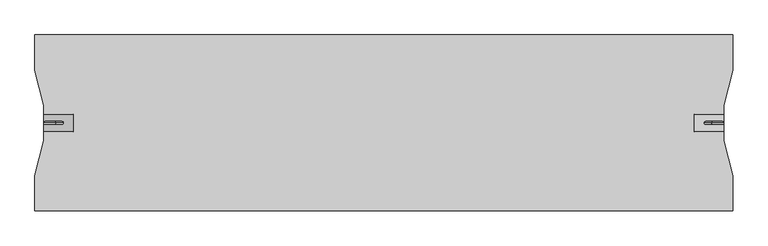
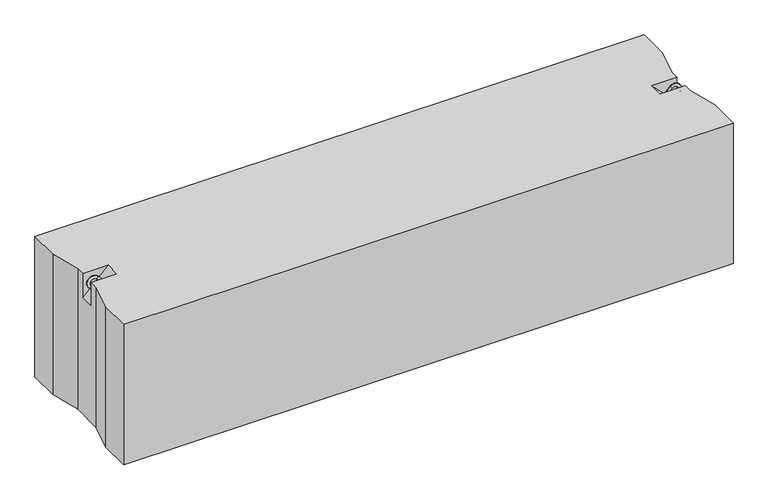
"""IFC4 building model written with IfcOpenShell, lengths in millimetres: proxy geometry."""

from ifc_helpers import new_model, si_unit, point, frame, origin, place, context, project, spatial, circle_curve, ellipse_curve, trimmed, faceted_brep, source, transform, mapped, element, save
from ifc_brep_helpers import plane_surface, cylinder_surface, revolved_surface, advanced_brep


def generic_models_f7cf6ae6(model_context):
    return source(origin(), model_context, "Body", "SolidModel", [
        advanced_brep(
        [(2282.3223305, 0.0, 547.6776695), (2289.3933983, 0.0, 540.6066017), (2314.3933983, 0.0, 565.6066017), (2307.3223305, 0.0, 572.6776695), (2335.6066017, 0.0, 544.3933983), (2342.6776695, 0.0, 537.3223305), (2317.6776695, 0.0, 512.3223305), (2310.6066017, 0.0, 519.3933983)],
        [
            (0, 1, circle_curve(frame((2285.8578644, 0.0, 544.1421356), z_axis=(-0.7071067811865482, 0.0, -0.7071067811865468), x_axis=(0.7071067811865468, 0.0, -0.7071067811865482)), 5.0)),
            (1, 0, circle_curve(frame((2285.8578644, 0.0, 544.1421356), z_axis=(-0.7071067811865482, 0.0, -0.7071067811865468), x_axis=(0.7071067811865468, 0.0, -0.7071067811865482)), 5.0)),
            (1, 2),
            (2, 3, circle_curve(frame((2310.8578644, 0.0, 569.1421356), z_axis=(-0.7071067811865482, 0.0, -0.7071067811865468), x_axis=(0.7071067811865468, 0.0, -0.7071067811865482)), 5.0)),
            (3, 0),
            (3, 2, circle_curve(frame((2310.8578644, 0.0, 569.1421356), z_axis=(-0.7071067811865482, 0.0, -0.7071067811865468), x_axis=(0.7071067811865468, 0.0, -0.7071067811865482)), 5.0)),
            (4, 5, circle_curve(frame((2339.1421356, 0.0, 540.8578644), z_axis=(0.7071067811865457, 0.0, 0.7071067811865493), x_axis=(-0.7071067811865493, 0.0, 0.7071067811865457)), 5.0)),
            (5, 3, circle_curve(frame((2325.0, 0.0, 555.0), z_axis=(0.0, -1.0, 0.0), x_axis=(-0.7071067811865468, 0.0, 0.7071067811865482)), 25.0)),
            (2, 4, circle_curve(frame((2325.0, 0.0, 555.0), z_axis=(0.0, 1.0, 0.0), x_axis=(-0.7071067811865468, 0.0, 0.7071067811865482)), 15.0)),
            (5, 4, circle_curve(frame((2339.1421356, 0.0, 540.8578644), z_axis=(0.7071067811865459, 0.0, 0.7071067811865491), x_axis=(-0.7071067811865491, 0.0, 0.7071067811865459)), 5.0)),
            (6, 7, circle_curve(frame((2314.1421356, 0.0, 515.8578644), z_axis=(-0.7071067811865505, 0.0, -0.7071067811865446), x_axis=(-0.7071067811865446, 0.0, 0.7071067811865505)), 5.0)),
            (7, 6, circle_curve(frame((2314.1421356, 0.0, 515.8578644), z_axis=(-0.7071067811865505, 0.0, -0.7071067811865446), x_axis=(-0.7071067811865446, 0.0, 0.7071067811865505)), 5.0)),
            (4, 7),
            (6, 5),
        ],
        [
            plane_surface(frame((2282.3223305, 0.0, 547.6776695), z_axis=(-0.7071067811865482, 0.0, -0.7071067811865468), x_axis=(0.0, -1.0, 0.0))),
            cylinder_surface(frame((2285.8578644, 0.0, 544.1421356), z_axis=(-0.7071067811865482, 0.0, -0.7071067811865468), x_axis=(0.7071067811865468, 0.0, -0.7071067811865482)), 5.0),
            revolved_surface(trimmed(ellipse_curve(frame((2310.8578644, 0.0, 569.1421356), z_axis=(0.7071067811865482, 0.0, 0.7071067811865468), x_axis=(0.7071067811865468, 0.0, -0.7071067811865482)), 5.0, 5.0), [point((2307.3223305, 0.0, 572.6776695))], [point((2314.3933983, 0.0, 565.6066017))], True, "CARTESIAN"), (2325.0, 0.0, 555.0), (0.0, -1.0, 0.0)),
            revolved_surface(trimmed(ellipse_curve(frame((2310.8578644, 0.0, 569.1421356), z_axis=(0.7071067811865482, 0.0, 0.7071067811865468), x_axis=(0.7071067811865468, 0.0, -0.7071067811865482)), 5.0, 5.0), [point((2314.3933983, 0.0, 565.6066017))], [point((2307.3223305, 0.0, 572.6776695))], True, "CARTESIAN"), (2325.0, 0.0, 555.0), (0.0, -1.0, 0.0)),
            plane_surface(frame((2317.6776695, 0.0, 512.3223305), z_axis=(-0.7071067811865505, 0.0, -0.7071067811865446), x_axis=(0.0, -1.0, 0.0))),
            cylinder_surface(frame((2339.1421356, 0.0, 540.8578644), z_axis=(0.7071067811865505, 0.0, 0.7071067811865446), x_axis=(-0.7071067811865446, 0.0, 0.7071067811865505)), 5.0),
        ],
        [
            (0, [[1, 2]]),
            (1, [[3, 4, 5, -2]]),
            (1, [[-5, 6, -3, -1]]),
            (2, [[7, 8, -4, 9]]),
            (3, [[10, -9, -6, -8]]),
            (4, [[11, 12]]),
            (5, [[13, -11, 14, -7]]),
            (5, [[-14, -12, -13, -10]]),
        ],
    ),
        advanced_brep(
        [(97.6776695, 0.0, 547.6776695), (90.6066017, 0.0, 540.6066017), (72.6776695, 0.0, 572.6776695), (65.6066017, 0.0, 565.6066017), (44.3933983, 0.0, 544.3933983), (37.3223305, 0.0, 537.3223305), (62.3223305, 0.0, 512.3223305), (69.3933983, 0.0, 519.3933983)],
        [
            (0, 1, circle_curve(frame((94.1421356, 0.0, 544.1421356), z_axis=(0.707106781186546, 0.0, -0.707106781186549), x_axis=(-0.707106781186549, 0.0, -0.707106781186546)), 5.0)),
            (1, 0, circle_curve(frame((94.1421356, 0.0, 544.1421356), z_axis=(0.707106781186546, 0.0, -0.707106781186549), x_axis=(-0.707106781186549, 0.0, -0.707106781186546)), 5.0)),
            (0, 2),
            (2, 3, circle_curve(frame((69.1421356, 0.0, 569.1421356), z_axis=(0.707106781186546, 0.0, -0.707106781186549), x_axis=(-0.707106781186549, 0.0, -0.707106781186546)), 5.0)),
            (3, 1),
            (3, 2, circle_curve(frame((69.1421356, 0.0, 569.1421356), z_axis=(0.707106781186546, 0.0, -0.707106781186549), x_axis=(-0.707106781186549, 0.0, -0.707106781186546)), 5.0)),
            (4, 3, circle_curve(frame((55.0, 0.0, 555.0), z_axis=(0.0, 1.0, 0.0), x_axis=(0.707106781186549, 0.0, 0.707106781186546)), 15.0)),
            (2, 5, circle_curve(frame((55.0, 0.0, 555.0), z_axis=(0.0, -1.0, 0.0), x_axis=(0.707106781186549, 0.0, 0.707106781186546)), 25.0)),
            (5, 4, circle_curve(frame((40.8578644, 0.0, 540.8578644), z_axis=(-0.7071067811865437, 0.0, 0.7071067811865513), x_axis=(0.7071067811865513, 0.0, 0.7071067811865437)), 5.0)),
            (4, 5, circle_curve(frame((40.8578644, 0.0, 540.8578644), z_axis=(-0.7071067811865437, 0.0, 0.7071067811865513), x_axis=(0.7071067811865513, 0.0, 0.7071067811865437)), 5.0)),
            (6, 7, circle_curve(frame((65.8578644, 0.0, 515.8578644), z_axis=(0.7071067811865482, 0.0, -0.7071067811865468), x_axis=(0.7071067811865468, 0.0, 0.7071067811865482)), 5.0)),
            (7, 6, circle_curve(frame((65.8578644, 0.0, 515.8578644), z_axis=(0.7071067811865482, 0.0, -0.7071067811865468), x_axis=(0.7071067811865468, 0.0, 0.7071067811865482)), 5.0)),
            (5, 6),
            (7, 4),
        ],
        [
            plane_surface(frame((97.6776695, 0.0, 547.6776695), z_axis=(0.707106781186546, 0.0, -0.707106781186549), x_axis=(0.0, -1.0, 0.0))),
            cylinder_surface(frame((94.1421356, 0.0, 544.1421356), z_axis=(0.707106781186546, 0.0, -0.707106781186549), x_axis=(-0.707106781186549, 0.0, -0.707106781186546)), 5.0),
            revolved_surface(trimmed(ellipse_curve(frame((69.1421356, 0.0, 569.1421356), z_axis=(0.707106781186546, 0.0, -0.707106781186549), x_axis=(-0.707106781186549, 0.0, -0.707106781186546)), 5.0, 5.0), [point((72.6776695, 0.0, 572.6776695))], [point((65.6066017, 0.0, 565.6066017))], True, "CARTESIAN"), (55.0, 0.0, 555.0), (0.0, -1.0, 0.0)),
            revolved_surface(trimmed(ellipse_curve(frame((69.1421356, 0.0, 569.1421356), z_axis=(0.707106781186546, 0.0, -0.707106781186549), x_axis=(-0.707106781186549, 0.0, -0.707106781186546)), 5.0, 5.0), [point((65.6066017, 0.0, 565.6066017))], [point((72.6776695, 0.0, 572.6776695))], True, "CARTESIAN"), (55.0, 0.0, 555.0), (0.0, -1.0, 0.0)),
            plane_surface(frame((62.3223305, 0.0, 512.3223305), z_axis=(0.7071067811865482, 0.0, -0.7071067811865468), x_axis=(0.0, -1.0, 0.0))),
            cylinder_surface(frame((40.8578644, 0.0, 540.8578644), z_axis=(-0.7071067811865482, 0.0, 0.7071067811865468), x_axis=(0.7071067811865468, 0.0, 0.7071067811865482)), 5.0),
        ],
        [
            (0, [[1, 2]]),
            (1, [[-1, 3, 4, 5]]),
            (1, [[-2, -5, 6, -3]]),
            (2, [[7, -4, 8, 9]]),
            (3, [[-8, -6, -7, 10]]),
            (4, [[11, 12]]),
            (5, [[-9, 13, -12, 14]]),
            (5, [[-10, -14, -11, -13]]),
        ],
    ),
        faceted_brep([(2380.0, 300.0, 580.0), (0.0, 300.0, 580.0), (0.0, 180.0, 580.0), (30.0, 60.0, 580.0), (30.0, 30.0, 580.0), (130.0, 30.0, 580.0), (130.0, -30.0, 580.0), (30.0, -30.0, 580.0), (30.0, -60.0, 580.0), (0.0, -180.0, 580.0), (0.0, -300.0, 580.0), (2380.0, -300.0, 580.0), (2380.0, -180.0, 580.0), (2350.0, -60.0, 580.0), (2350.0, -30.0, 580.0), (2250.0, -30.0, 580.0), (2250.0, 30.0, 580.0), (2350.0, 30.0, 580.0), (2350.0, 60.0, 580.0), (2380.0, 180.0, 580.0), (2380.0, 300.0, 0.0), (2380.0, 180.0, 0.0), (2350.0, 60.0, 0.0), (2350.0, -60.0, 0.0), (2380.0, -180.0, 0.0), (2380.0, -300.0, 0.0), (0.0, -300.0, 0.0), (0.0, -180.0, 0.0), (30.0, -60.0, 0.0), (30.0, 60.0, 0.0), (0.0, 180.0, 0.0), (0.0, 300.0, 0.0), (30.0, -30.0, 480.0), (30.0, 30.0, 480.0), (2350.0, 30.0, 480.0), (2350.0, -30.0, 480.0)], [[[0, 1, 2, 3, 4, 5, 6, 7, 8, 9, 10, 11, 12, 13, 14, 15, 16, 17, 18, 19]], [[20, 21, 22, 23, 24, 25, 26, 27, 28, 29, 30, 31]], [[1, 0, 20, 31]], [[10, 9, 27, 26]], [[11, 10, 26, 25]], [[0, 19, 21, 20]], [[2, 1, 31, 30]], [[3, 2, 30, 29]], [[29, 28, 8, 7, 32, 33, 4, 3]], [[9, 8, 28, 27]], [[12, 11, 25, 24]], [[13, 12, 24, 23]], [[23, 22, 18, 17, 34, 35, 14, 13]], [[19, 18, 22, 21]], [[6, 32, 7]], [[35, 15, 14]], [[33, 5, 4]], [[16, 34, 17]], [[32, 6, 5, 33]], [[15, 35, 34, 16]]]),
    ])


if __name__ == "__main__":
    model = new_model("IFC4")
    model_context = context("Model", 3, world=origin())
    ifc_project = project(units=[si_unit("LENGTHUNIT", "METRE", prefix="MILLI")], contexts=[model_context])
    site = spatial("IfcSite", under=ifc_project)
    building = spatial("IfcBuilding", under=site)
    placement = place(None, origin())
    generic_models_shape = generic_models_f7cf6ae6(model_context)
    element("IfcBuildingElementProxy", 1, Name="Generic Models", at=placement, inside=building, context=model_context, shape_type="MappedRepresentation", body=[
        mapped(generic_models_shape, transform((0.0, 0.0, 0.0), x_axis=(1.0, 0.0, 0.0), y_axis=(0.0, 1.0, 0.0), z_axis=(0.0, 0.0, 1.0))),
    ])
    save(model, "model.ifc")
